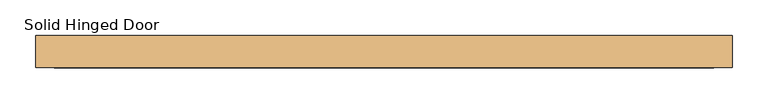
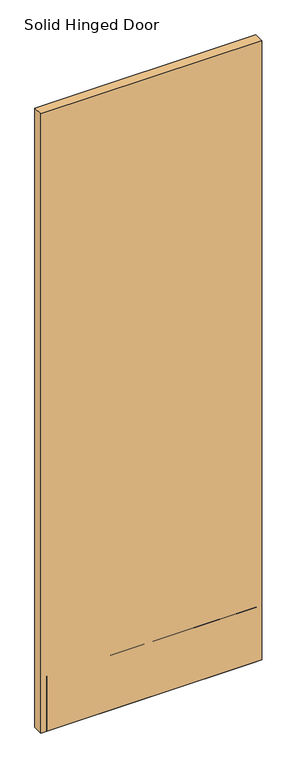
"""IFC4 building model written with IfcOpenShell, lengths in millimetres: door geometry, Solid Hinged Door."""

from ifc_helpers import new_model, si_unit, frame, origin, place, context, project, spatial, polyline, outline, extrude, source, transform, mapped, element, save


def solid_hinged_door_0c950ce9(model_context):
    return source(origin(), model_context, "Body", "SweptSolid", [
        extrude(outline(polyline([(484.5983606, 22.225), (484.5983606, -22.225), (-484.5983606, -22.225), (-484.5983606, 22.225), (484.5983606, 22.225)])), frame((0.0, 0.0, 12.7), z_axis=(0.0, 0.0, 1.0), x_axis=(1.0, 0.0, 0.0)), (0.0, 0.0, 1.0), 2869.8787999),
        extrude(outline(polyline([(459.1983606, -9.0035062), (459.1983606, -10.6037062), (-459.1983606, -10.6037062), (-459.1983606, -9.0035062), (459.1983606, -9.0035062)])), frame((0.0, 0.0, 12.7), z_axis=(0.0, 0.0, 1.0), x_axis=(1.0, 0.0, 0.0)), (0.0, 0.0, 1.0), 254.0),
        extrude(outline(polyline([(459.1983606, -20.6248), (459.1983606, -22.225), (-459.1983606, -22.225), (-459.1983606, -20.6248), (459.1983606, -20.6248)])), frame((0.0, 0.0, 12.7), z_axis=(0.0, 0.0, 1.0), x_axis=(1.0, 0.0, 0.0)), (0.0, 0.0, 1.0), 254.0),
    ])


if __name__ == "__main__":
    model = new_model("IFC4")
    model_context = context("Model", 3, world=origin())
    ifc_project = project(units=[si_unit("LENGTHUNIT", "METRE", prefix="MILLI")], contexts=[model_context])
    site = spatial("IfcSite", under=ifc_project)
    building = spatial("IfcBuilding", under=site)
    placement = place(None, origin())
    solid_hinged_door_shape = solid_hinged_door_0c950ce9(model_context)
    element("IfcDoor", 1, ObjectType="Solid Hinged Door", at=placement, inside=building, context=model_context, shape_type="MappedRepresentation", body=[
        mapped(solid_hinged_door_shape, transform((0.0, 0.0, 0.0), x_axis=(1.0, 0.0, 0.0), y_axis=(0.0, 1.0, 0.0), z_axis=(0.0, 0.0, 1.0))),
    ])
    save(model, "model.ifc")
